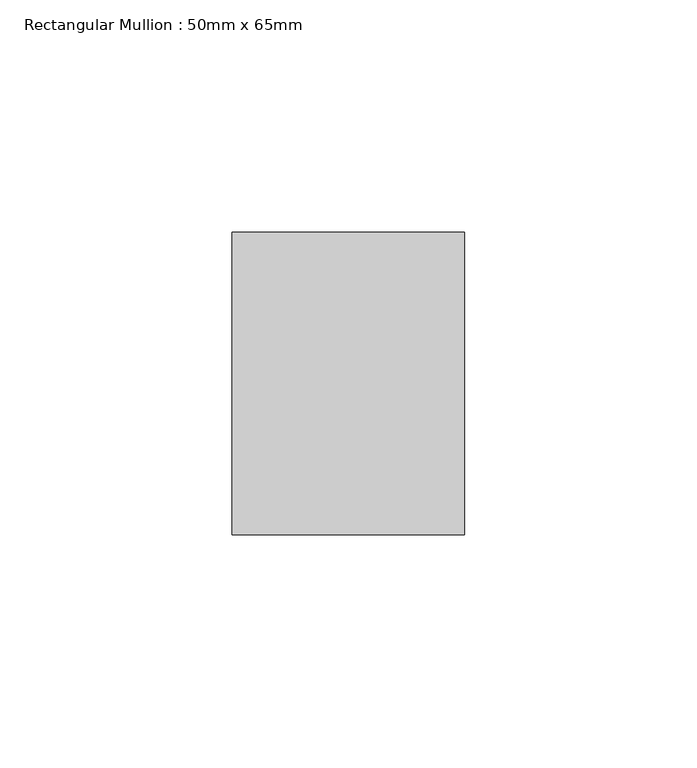
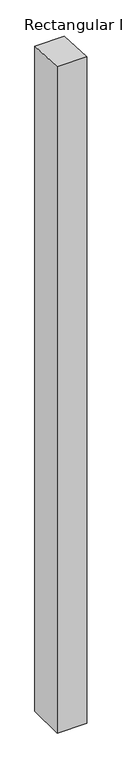
"""IFC4 building model written with IfcOpenShell, lengths in millimetres: member geometry, Rectangular Mullion : 50mm x 65mm."""

from ifc_helpers import new_model, si_unit, origin, place, context, project, spatial, faceted_brep, source, transform, mapped, element, save


def rectangular_mullion_50mm_x_65mm_57b13a91(model_context):
    return source(origin(), model_context, "Body", "Brep", [
        faceted_brep([(25.0, 32.5, -1189.1179721), (25.0, -32.5, -1189.1179721), (-25.0, -32.5, -1189.1179721), (-25.0, 32.5, -1189.1179721), (-25.0, 32.5, -1.2410916), (25.0, 32.5, -1.2410912), (-25.0, -32.5, 1.2410912), (25.0, -32.5, 1.2410916)], [[[0, 1, 2, 3]], [[4, 5, 0, 3]], [[6, 4, 3, 2]], [[7, 6, 2, 1]], [[5, 7, 1, 0]], [[5, 4, 6, 7]]]),
    ])


if __name__ == "__main__":
    model = new_model("IFC4")
    model_context = context("Model", 3, world=origin())
    ifc_project = project(units=[si_unit("LENGTHUNIT", "METRE", prefix="MILLI")], contexts=[model_context])
    site = spatial("IfcSite", under=ifc_project)
    building = spatial("IfcBuilding", under=site)
    placement = place(None, origin())
    rectangular_mullion_50mm_x_65mm_shape = rectangular_mullion_50mm_x_65mm_57b13a91(model_context)
    element("IfcMember", 1, ObjectType="Rectangular Mullion : 50mm x 65mm", at=placement, inside=building, context=model_context, shape_type="MappedRepresentation", body=[
        mapped(rectangular_mullion_50mm_x_65mm_shape, transform((0.0, 0.0, 0.0), x_axis=(1.0, 0.0, 0.0), y_axis=(0.0, 1.0, 0.0), z_axis=(0.0, 0.0, 1.0))),
    ])
    save(model, "model.ifc")
